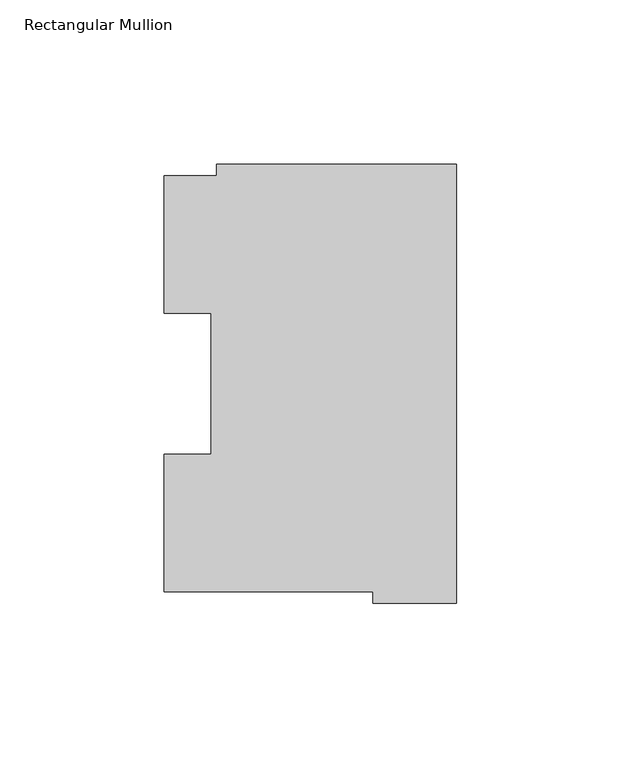
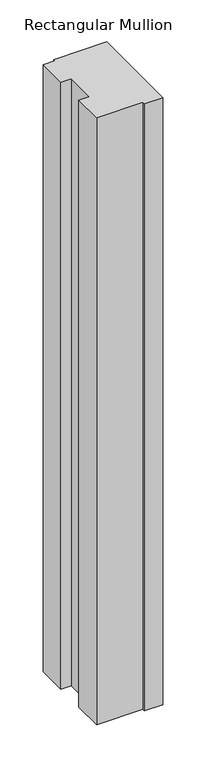
"""IFC4 building model written with IfcOpenShell, lengths in millimetres: member geometry, Rectangular Mullion."""

from ifc_helpers import new_model, si_unit, frame, origin, place, context, project, spatial, polyline, outline, extrude, source, transform, mapped, element, save


def rectangular_mullion_b4c780cf(model_context):
    return source(origin(), model_context, "Body", "SweptSolid", [
        extrude(outline(polyline([(-72.9776553, 130.1706837), (0.0, 130.1706837), (0.0, -3.193538), (-25.3822228, -3.193538), (-25.3822228, 0.26035), (-88.8822228, 0.26035), (-88.8822228, 42.0485036), (-74.5923808, 42.0485036), (-74.5923808, 84.93125), (-88.8822228, 84.93125), (-88.8822228, 126.75235), (-72.9776553, 126.75235), (-72.9776553, 130.1706837)])), frame((0.0, 0.0, -882.6497287), z_axis=(0.0, 0.0, 1.0), x_axis=(1.0, 0.0, 0.0)), (0.0, 0.0, 1.0), 882.6497287),
    ])


if __name__ == "__main__":
    model = new_model("IFC4")
    model_context = context("Model", 3, world=origin())
    ifc_project = project(units=[si_unit("LENGTHUNIT", "METRE", prefix="MILLI")], contexts=[model_context])
    site = spatial("IfcSite", under=ifc_project)
    building = spatial("IfcBuilding", under=site)
    placement = place(None, origin())
    rectangular_mullion_shape = rectangular_mullion_b4c780cf(model_context)
    element("IfcMember", 1, ObjectType="Rectangular Mullion", at=placement, inside=building, context=model_context, shape_type="MappedRepresentation", body=[
        mapped(rectangular_mullion_shape, transform((0.0, 0.0, 0.0), x_axis=(1.0, 0.0, 0.0), y_axis=(0.0, 1.0, 0.0), z_axis=(0.0, 0.0, 1.0))),
    ])
    save(model, "model.ifc")
